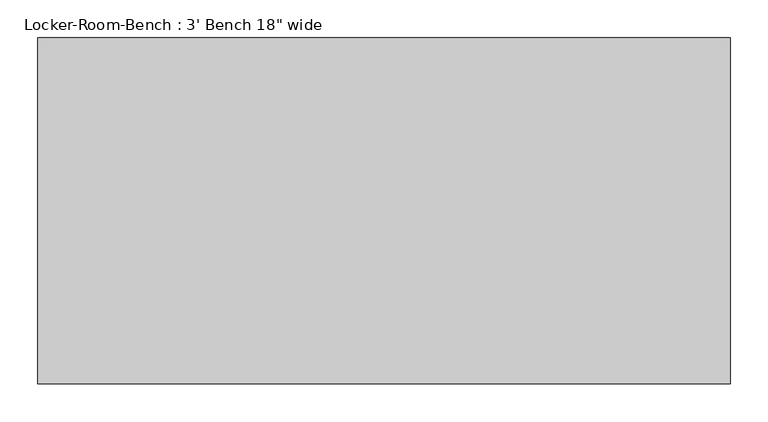
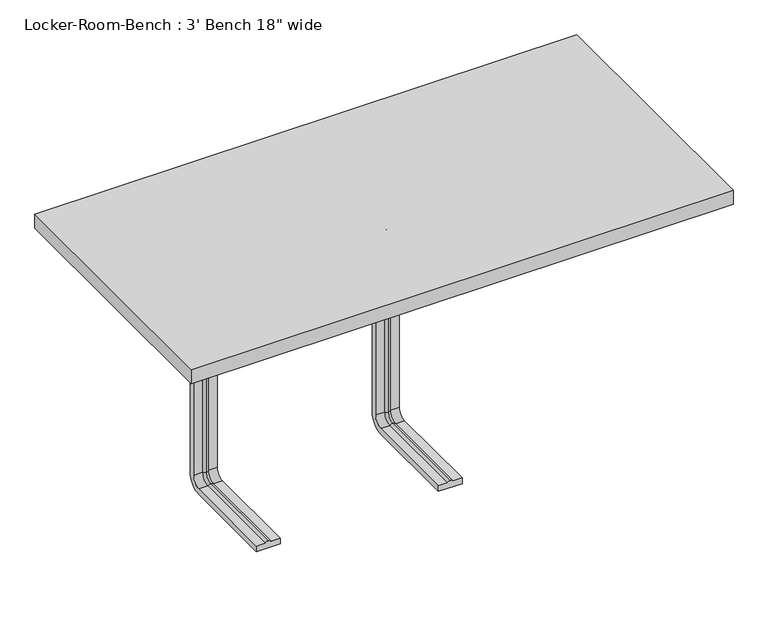
"""IFC4 building model written with IfcOpenShell, lengths in millimetres: proxy geometry."""

from ifc_helpers import new_model, si_unit, point, frame, origin, place, context, project, spatial, polyline, circle_curve, ellipse_curve, trimmed, outline, extrude, source, transform, mapped, element, save
from ifc_brep_helpers import plane_surface, cylinder_surface, revolved_surface, advanced_brep


def proxy_0b72aa86(model_context):
    return source(origin(), model_context, "Body", "SolidModel", [
        advanced_brep(
        [(-287.2, -193.6, 381.4), (-327.2, -193.6, 381.4), (-327.2, -193.6, 371.4), (-312.2, -193.6, 371.4), (-307.2, -193.6, 369.0684617), (-302.2, -193.6, 371.4), (-287.2, -193.6, 371.4), (-287.2, -25.0, 381.4), (-327.2, -25.0, 381.4), (-327.2, 0.0, 356.4), (-327.2, 0.0, 40.0), (-327.2, -25.0, 15.0), (-327.2, -193.6, 15.0), (-327.2, -193.6, 25.0), (-327.2, -25.0, 25.0), (-327.2, -10.0, 40.0), (-327.2, -10.0, 356.4), (-327.2, -25.0, 371.4), (-312.2, -25.0, 371.4), (-307.2, -25.0, 369.0684617), (-302.2, -25.0, 371.4), (-287.2, -25.0, 371.4), (-287.2, -10.0, 356.4), (-287.2, -10.0, 40.0), (-287.2, -25.0, 25.0), (-287.2, -193.6, 25.0), (-287.2, -193.6, 15.0), (-287.2, -25.0, 15.0), (-287.2, 0.0, 40.0), (-287.2, 0.0, 356.4), (-312.2, -10.0, 356.4), (-307.2, -12.3315383, 356.4), (-302.2, -10.0, 356.4), (-312.2, -10.0, 40.0), (-307.2, -12.3315383, 40.0), (-302.2, -10.0, 40.0), (-312.2, -25.0, 25.0), (-307.2, -25.0, 27.3315383), (-302.2, -25.0, 25.0), (-302.2, -193.6, 25.0), (-307.2, -193.6, 27.3315383), (-312.2, -193.6, 25.0)],
        [
            (0, 1),
            (1, 2),
            (2, 3),
            (3, 4, circle_curve(frame((-307.4996409, -193.6, 374.9529162), z_axis=(0.0, -1.0, 0.0), x_axis=(0.0, 0.0, 1.0)), 5.8920785)),
            (4, 5, circle_curve(frame((-306.9003591, -193.6, 374.9529162), z_axis=(0.0, -1.0, 0.0), x_axis=(0.0, 0.0, 1.0)), 5.8920785)),
            (5, 6),
            (6, 0),
            (0, 7),
            (7, 8),
            (8, 1),
            (8, 9, circle_curve(frame((-327.2, -25.0, 356.4), z_axis=(-1.0, 0.0, 0.0), x_axis=(0.0, 0.0, 1.0)), 25.0)),
            (9, 10),
            (10, 11, circle_curve(frame((-327.2, -25.0, 40.0), z_axis=(-1.0, 0.0, 0.0), x_axis=(0.0, 1.0, 0.0)), 25.0)),
            (11, 12),
            (12, 13),
            (13, 14),
            (14, 15, circle_curve(frame((-327.2, -25.0, 40.0), z_axis=(1.0, 0.0, 0.0), x_axis=(0.0, 1.0, 0.0)), 15.0)),
            (15, 16),
            (16, 17, circle_curve(frame((-327.2, -25.0, 356.4), z_axis=(1.0, 0.0, 0.0), x_axis=(0.0, 0.0, 1.0)), 15.0)),
            (17, 2),
            (17, 18),
            (18, 3),
            (18, 19, circle_curve(frame((-307.4996409, -25.0, 374.9529162), z_axis=(0.0, -1.0, 0.0), x_axis=(0.0, 0.0, 1.0)), 5.8920785)),
            (19, 4),
            (19, 20, circle_curve(frame((-306.9003591, -25.0, 374.9529162), z_axis=(0.0, -1.0, 0.0), x_axis=(0.0, 0.0, 1.0)), 5.8920785)),
            (20, 5),
            (20, 21),
            (21, 6),
            (21, 22, circle_curve(frame((-287.2, -25.0, 356.4), z_axis=(-1.0, 0.0, 0.0), x_axis=(0.0, 0.0, 1.0)), 15.0)),
            (22, 23),
            (23, 24, circle_curve(frame((-287.2, -25.0, 40.0), z_axis=(-1.0, 0.0, 0.0), x_axis=(0.0, 1.0, 0.0)), 15.0)),
            (24, 25),
            (25, 26),
            (26, 27),
            (27, 28, circle_curve(frame((-287.2, -25.0, 40.0), z_axis=(1.0, 0.0, 0.0), x_axis=(0.0, 1.0, 0.0)), 25.0)),
            (28, 29),
            (29, 7, circle_curve(frame((-287.2, -25.0, 356.4), z_axis=(1.0, 0.0, 0.0), x_axis=(0.0, 0.0, 1.0)), 25.0)),
            (29, 9),
            (30, 18, circle_curve(frame((-312.2, -25.0, 356.4), z_axis=(1.0, 0.0, 0.0), x_axis=(0.0, 0.0, 1.0)), 15.0)),
            (16, 30),
            (31, 19, circle_curve(frame((-307.2, -25.0, 356.4), z_axis=(1.0, 0.0, 0.0), x_axis=(0.0, 0.0, 1.0)), 12.6684617)),
            (30, 31, circle_curve(frame((-307.4996409, -6.4470838, 356.4), z_axis=(0.0, 0.0, 1.0), x_axis=(0.0, 1.0, 0.0)), 5.8920785)),
            (32, 20, circle_curve(frame((-302.2, -25.0, 356.4), z_axis=(1.0, 0.0, 0.0), x_axis=(0.0, 0.0, 1.0)), 15.0)),
            (31, 32, circle_curve(frame((-306.9003591, -6.4470838, 356.4), z_axis=(0.0, 0.0, 1.0), x_axis=(0.0, 1.0, 0.0)), 5.8920785)),
            (32, 22),
            (28, 10),
            (15, 33),
            (33, 30),
            (33, 34, circle_curve(frame((-307.4996409, -6.4470838, 40.0), z_axis=(0.0, 0.0, 1.0), x_axis=(0.0, 1.0, 0.0)), 5.8920785)),
            (34, 31),
            (34, 35, circle_curve(frame((-306.9003591, -6.4470838, 40.0), z_axis=(0.0, 0.0, 1.0), x_axis=(0.0, 1.0, 0.0)), 5.8920785)),
            (35, 32),
            (35, 23),
            (27, 11),
            (36, 33, circle_curve(frame((-312.2, -25.0, 40.0), z_axis=(1.0, 0.0, 0.0), x_axis=(0.0, 1.0, 0.0)), 15.0)),
            (14, 36),
            (37, 34, circle_curve(frame((-307.2, -25.0, 40.0), z_axis=(1.0, 0.0, 0.0), x_axis=(0.0, 1.0, 0.0)), 12.6684617)),
            (36, 37, circle_curve(frame((-307.4996409, -25.0, 21.4470838), z_axis=(0.0, 1.0, 0.0), x_axis=(0.0, 0.0, -1.0)), 5.8920785)),
            (38, 35, circle_curve(frame((-302.2, -25.0, 40.0), z_axis=(1.0, 0.0, 0.0), x_axis=(0.0, 1.0, 0.0)), 15.0)),
            (37, 38, circle_curve(frame((-306.9003591, -25.0, 21.4470838), z_axis=(0.0, 1.0, 0.0), x_axis=(0.0, 0.0, -1.0)), 5.8920785)),
            (38, 24),
            (25, 39),
            (39, 40, circle_curve(frame((-306.9003591, -193.6, 21.4470838), z_axis=(0.0, -1.0, 0.0), x_axis=(0.0, 0.0, -1.0)), 5.8920785)),
            (40, 41, circle_curve(frame((-307.4996409, -193.6, 21.4470838), z_axis=(0.0, -1.0, 0.0), x_axis=(0.0, 0.0, -1.0)), 5.8920785)),
            (41, 13),
            (12, 26),
            (41, 36),
            (40, 37),
            (39, 38),
        ],
        [
            plane_surface(frame((-307.2, -193.6, 381.4), z_axis=(0.0, -1.0, 0.0), x_axis=(1.0, 0.0, 0.0))),
            plane_surface(frame((-287.2, -193.6, 381.4), z_axis=(0.0, 0.0, 1.0), x_axis=(0.0, 1.0, 0.0))),
            plane_surface(frame((-327.2, -193.6, 381.4), z_axis=(-1.0, 0.0, 0.0), x_axis=(0.0, 1.0, 0.0))),
            plane_surface(frame((-327.2, -193.6, 371.4), z_axis=(0.0, 0.0, -1.0), x_axis=(0.0, 1.0, 0.0))),
            cylinder_surface(frame((-307.4996409, -193.6, 374.9529162), z_axis=(0.0, -1.0, 0.0), x_axis=(0.0, 0.0, 1.0)), 5.8920785),
            cylinder_surface(frame((-306.9003591, -193.6, 374.9529162), z_axis=(0.0, -1.0, 0.0), x_axis=(0.0, 0.0, 1.0)), 5.8920785),
            plane_surface(frame((-302.2, -193.6, 371.4), z_axis=(0.0, 0.0, -1.0), x_axis=(0.0, 1.0, 0.0))),
            plane_surface(frame((-287.2, -193.6, 371.4), z_axis=(1.0, 0.0, 0.0), x_axis=(0.0, 1.0, 0.0))),
            cylinder_surface(frame((-307.2, -25.0, 356.4), z_axis=(-1.0, 0.0, 0.0), x_axis=(0.0, 0.0, 1.0)), 25.0),
            revolved_surface(polyline([(-327.2, -25.0, 371.4), (-312.2, -25.0, 371.4)]), (-307.2, -25.0, 356.4), (-1.0, 0.0, 0.0)),
            revolved_surface(trimmed(ellipse_curve(frame((-307.4996409, -25.0, 374.9529162), z_axis=(0.0, -1.0, 0.0), x_axis=(0.0, 0.0, 1.0)), 5.8920785, 5.8920785), [point((-312.2, -25.0, 371.4))], [point((-307.2, -25.0, 369.0684617))], True, "CARTESIAN"), (-307.2, -25.0, 356.4), (-1.0, 0.0, 0.0)),
            revolved_surface(trimmed(ellipse_curve(frame((-306.9003591, -25.0, 374.9529162), z_axis=(0.0, -1.0, 0.0), x_axis=(0.0, 0.0, 1.0)), 5.8920785, 5.8920785), [point((-307.2, -25.0, 369.0684617))], [point((-302.2, -25.0, 371.4))], True, "CARTESIAN"), (-307.2, -25.0, 356.4), (-1.0, 0.0, 0.0)),
            revolved_surface(polyline([(-302.2, -25.0, 371.4), (-287.2, -25.0, 371.4)]), (-307.2, -25.0, 356.4), (-1.0, 0.0, 0.0)),
            plane_surface(frame((-287.2, 0.0, 356.4), z_axis=(0.0, 1.0, 0.0), x_axis=(0.0, 0.0, -1.0))),
            plane_surface(frame((-327.2, -10.0, 356.4), z_axis=(0.0, -1.0, 0.0), x_axis=(0.0, 0.0, -1.0))),
            cylinder_surface(frame((-307.4996409, -6.4470838, 356.4), z_axis=(0.0, 0.0, 1.0), x_axis=(0.0, 1.0, 0.0)), 5.8920785),
            cylinder_surface(frame((-306.9003591, -6.4470838, 356.4), z_axis=(0.0, 0.0, 1.0), x_axis=(0.0, 1.0, 0.0)), 5.8920785),
            plane_surface(frame((-302.2, -10.0, 356.4), z_axis=(0.0, -1.0, 0.0), x_axis=(0.0, 0.0, -1.0))),
            cylinder_surface(frame((-307.2, -25.0, 40.0), z_axis=(-1.0, 0.0, 0.0), x_axis=(0.0, 1.0, 0.0)), 25.0),
            revolved_surface(polyline([(-327.2, -10.0, 40.0), (-312.2, -10.0, 40.0)]), (-307.2, -25.0, 40.0), (-1.0, 0.0, 0.0)),
            revolved_surface(trimmed(ellipse_curve(frame((-307.4996409, -6.4470838, 40.0), z_axis=(0.0, 0.0, 1.0), x_axis=(0.0, 1.0, 0.0)), 5.8920785, 5.8920785), [point((-312.2, -10.0, 40.0))], [point((-307.2, -12.3315383, 40.0))], True, "CARTESIAN"), (-307.2, -25.0, 40.0), (-1.0, 0.0, 0.0)),
            revolved_surface(trimmed(ellipse_curve(frame((-306.9003591, -6.4470838, 40.0), z_axis=(0.0, 0.0, 1.0), x_axis=(0.0, 1.0, 0.0)), 5.8920785, 5.8920785), [point((-307.2, -12.3315383, 40.0))], [point((-302.2, -10.0, 40.0))], True, "CARTESIAN"), (-307.2, -25.0, 40.0), (-1.0, 0.0, 0.0)),
            revolved_surface(polyline([(-302.2, -10.0, 40.0), (-287.2, -10.0, 40.0)]), (-307.2, -25.0, 40.0), (-1.0, 0.0, 0.0)),
            plane_surface(frame((-307.2, -193.6, 15.0), z_axis=(0.0, -1.0, 0.0), x_axis=(1.0, 0.0, 0.0))),
            plane_surface(frame((-287.2, -25.0, 15.0), z_axis=(0.0, 0.0, -1.0), x_axis=(0.0, -1.0, 0.0))),
            plane_surface(frame((-327.2, -25.0, 25.0), z_axis=(0.0, 0.0, 1.0), x_axis=(0.0, -1.0, 0.0))),
            cylinder_surface(frame((-307.4996409, -25.0, 21.4470838), z_axis=(0.0, 1.0, 0.0), x_axis=(0.0, 0.0, -1.0)), 5.8920785),
            cylinder_surface(frame((-306.9003591, -25.0, 21.4470838), z_axis=(0.0, 1.0, 0.0), x_axis=(0.0, 0.0, -1.0)), 5.8920785),
            plane_surface(frame((-302.2, -25.0, 25.0), z_axis=(0.0, 0.0, 1.0), x_axis=(0.0, -1.0, 0.0))),
        ],
        [
            (0, [[1, 2, 3, 4, 5, 6, 7]]),
            (1, [[-1, 8, 9, 10]]),
            (2, [[-2, -10, 11, 12, 13, 14, 15, 16, 17, 18, 19, 20]]),
            (3, [[-3, -20, 21, 22]]),
            (4, [[-4, -22, 23, 24]]),
            (5, [[-5, -24, 25, 26]]),
            (6, [[-6, -26, 27, 28]]),
            (7, [[-7, -28, 29, 30, 31, 32, 33, 34, 35, 36, 37, -8]]),
            (8, [[-11, -9, -37, 38]]),
            (9, [[39, -21, -19, 40]]),
            (10, [[41, -23, -39, 42]]),
            (11, [[43, -25, -41, 44]]),
            (12, [[-29, -27, -43, 45]]),
            (13, [[-38, -36, 46, -12]]),
            (14, [[-40, -18, 47, 48]]),
            (15, [[-42, -48, 49, 50]]),
            (16, [[-44, -50, 51, 52]]),
            (17, [[-45, -52, 53, -30]]),
            (18, [[-13, -46, -35, 54]]),
            (19, [[55, -47, -17, 56]]),
            (20, [[57, -49, -55, 58]]),
            (21, [[59, -51, -57, 60]]),
            (22, [[-31, -53, -59, 61]]),
            (23, [[-33, 62, 63, 64, 65, -15, 66]]),
            (24, [[-54, -34, -66, -14]]),
            (25, [[-56, -16, -65, 67]]),
            (26, [[-58, -67, -64, 68]]),
            (27, [[-60, -68, -63, 69]]),
            (28, [[-61, -69, -62, -32]]),
        ],
    ),
        advanced_brep(
        [(20.0, -193.6, 381.4), (-20.0, -193.6, 381.4), (-20.0, -193.6, 371.4), (-5.0, -193.6, 371.4), (0.0, -193.6, 369.0684617), (5.0, -193.6, 371.4), (20.0, -193.6, 371.4), (20.0, -25.0, 381.4), (-20.0, -25.0, 381.4), (-20.0, 0.0, 356.4), (-20.0, 0.0, 40.0), (-20.0, -25.0, 15.0), (-20.0, -193.6, 15.0), (-20.0, -193.6, 25.0), (-20.0, -25.0, 25.0), (-20.0, -10.0, 40.0), (-20.0, -10.0, 356.4), (-20.0, -25.0, 371.4), (-5.0, -25.0, 371.4), (0.0, -25.0, 369.0684617), (5.0, -25.0, 371.4), (20.0, -25.0, 371.4), (20.0, -10.0, 356.4), (20.0, -10.0, 40.0), (20.0, -25.0, 25.0), (20.0, -193.6, 25.0), (20.0, -193.6, 15.0), (20.0, -25.0, 15.0), (20.0, 0.0, 40.0), (20.0, 0.0, 356.4), (-5.0, -10.0, 356.4), (0.0, -12.3315383, 356.4), (5.0, -10.0, 356.4), (-5.0, -10.0, 40.0), (0.0, -12.3315383, 40.0), (5.0, -10.0, 40.0), (-5.0, -25.0, 25.0), (0.0, -25.0, 27.3315383), (5.0, -25.0, 25.0), (5.0, -193.6, 25.0), (0.0, -193.6, 27.3315383), (-5.0, -193.6, 25.0)],
        [
            (0, 1),
            (1, 2),
            (2, 3),
            (3, 4, circle_curve(frame((-0.2996409, -193.6, 374.9529162), z_axis=(0.0, -1.0, 0.0), x_axis=(0.0, 0.0, 1.0)), 5.8920785)),
            (4, 5, circle_curve(frame((0.2996409, -193.6, 374.9529162), z_axis=(0.0, -1.0, 0.0), x_axis=(0.0, 0.0, 1.0)), 5.8920785)),
            (5, 6),
            (6, 0),
            (0, 7),
            (7, 8),
            (8, 1),
            (8, 9, circle_curve(frame((-20.0, -25.0, 356.4), z_axis=(-1.0, 0.0, 0.0), x_axis=(0.0, 0.0, 1.0)), 25.0)),
            (9, 10),
            (10, 11, circle_curve(frame((-20.0, -25.0, 40.0), z_axis=(-1.0, 0.0, 0.0), x_axis=(0.0, 1.0, 0.0)), 25.0)),
            (11, 12),
            (12, 13),
            (13, 14),
            (14, 15, circle_curve(frame((-20.0, -25.0, 40.0), z_axis=(1.0, 0.0, 0.0), x_axis=(0.0, 1.0, 0.0)), 15.0)),
            (15, 16),
            (16, 17, circle_curve(frame((-20.0, -25.0, 356.4), z_axis=(1.0, 0.0, 0.0), x_axis=(0.0, 0.0, 1.0)), 15.0)),
            (17, 2),
            (17, 18),
            (18, 3),
            (18, 19, circle_curve(frame((-0.2996409, -25.0, 374.9529162), z_axis=(0.0, -1.0, 0.0), x_axis=(0.0, 0.0, 1.0)), 5.8920785)),
            (19, 4),
            (19, 20, circle_curve(frame((0.2996409, -25.0, 374.9529162), z_axis=(0.0, -1.0, 0.0), x_axis=(0.0, 0.0, 1.0)), 5.8920785)),
            (20, 5),
            (20, 21),
            (21, 6),
            (21, 22, circle_curve(frame((20.0, -25.0, 356.4), z_axis=(-1.0, 0.0, 0.0), x_axis=(0.0, 0.0, 1.0)), 15.0)),
            (22, 23),
            (23, 24, circle_curve(frame((20.0, -25.0, 40.0), z_axis=(-1.0, 0.0, 0.0), x_axis=(0.0, 1.0, 0.0)), 15.0)),
            (24, 25),
            (25, 26),
            (26, 27),
            (27, 28, circle_curve(frame((20.0, -25.0, 40.0), z_axis=(1.0, 0.0, 0.0), x_axis=(0.0, 1.0, 0.0)), 25.0)),
            (28, 29),
            (29, 7, circle_curve(frame((20.0, -25.0, 356.4), z_axis=(1.0, 0.0, 0.0), x_axis=(0.0, 0.0, 1.0)), 25.0)),
            (29, 9),
            (30, 18, circle_curve(frame((-5.0, -25.0, 356.4), z_axis=(1.0, 0.0, 0.0), x_axis=(0.0, 0.0, 1.0)), 15.0)),
            (16, 30),
            (31, 19, circle_curve(frame((0.0, -25.0, 356.4), z_axis=(1.0, 0.0, 0.0), x_axis=(0.0, 0.0, 1.0)), 12.6684617)),
            (30, 31, circle_curve(frame((-0.2996409, -6.4470838, 356.4), z_axis=(0.0, 0.0, 1.0), x_axis=(0.0, 1.0, 0.0)), 5.8920785)),
            (32, 20, circle_curve(frame((5.0, -25.0, 356.4), z_axis=(1.0, 0.0, 0.0), x_axis=(0.0, 0.0, 1.0)), 15.0)),
            (31, 32, circle_curve(frame((0.2996409, -6.4470838, 356.4), z_axis=(0.0, 0.0, 1.0), x_axis=(0.0, 1.0, 0.0)), 5.8920785)),
            (32, 22),
            (28, 10),
            (15, 33),
            (33, 30),
            (33, 34, circle_curve(frame((-0.2996409, -6.4470838, 40.0), z_axis=(0.0, 0.0, 1.0), x_axis=(0.0, 1.0, 0.0)), 5.8920785)),
            (34, 31),
            (34, 35, circle_curve(frame((0.2996409, -6.4470838, 40.0), z_axis=(0.0, 0.0, 1.0), x_axis=(0.0, 1.0, 0.0)), 5.8920785)),
            (35, 32),
            (35, 23),
            (27, 11),
            (36, 33, circle_curve(frame((-5.0, -25.0, 40.0), z_axis=(1.0, 0.0, 0.0), x_axis=(0.0, 1.0, 0.0)), 15.0)),
            (14, 36),
            (37, 34, circle_curve(frame((0.0, -25.0, 40.0), z_axis=(1.0, 0.0, 0.0), x_axis=(0.0, 1.0, 0.0)), 12.6684617)),
            (36, 37, circle_curve(frame((-0.2996409, -25.0, 21.4470838), z_axis=(0.0, 1.0, 0.0), x_axis=(0.0, 0.0, -1.0)), 5.8920785)),
            (38, 35, circle_curve(frame((5.0, -25.0, 40.0), z_axis=(1.0, 0.0, 0.0), x_axis=(0.0, 1.0, 0.0)), 15.0)),
            (37, 38, circle_curve(frame((0.2996409, -25.0, 21.4470838), z_axis=(0.0, 1.0, 0.0), x_axis=(0.0, 0.0, -1.0)), 5.8920785)),
            (38, 24),
            (25, 39),
            (39, 40, circle_curve(frame((0.2996409, -193.6, 21.4470838), z_axis=(0.0, -1.0, 0.0), x_axis=(0.0, 0.0, -1.0)), 5.8920785)),
            (40, 41, circle_curve(frame((-0.2996409, -193.6, 21.4470838), z_axis=(0.0, -1.0, 0.0), x_axis=(0.0, 0.0, -1.0)), 5.8920785)),
            (41, 13),
            (12, 26),
            (41, 36),
            (40, 37),
            (39, 38),
        ],
        [
            plane_surface(frame((0.0, -193.6, 381.4), z_axis=(0.0, -1.0, 0.0), x_axis=(1.0, 0.0, 0.0))),
            plane_surface(frame((20.0, -193.6, 381.4), z_axis=(0.0, 0.0, 1.0), x_axis=(0.0, 1.0, 0.0))),
            plane_surface(frame((-20.0, -193.6, 381.4), z_axis=(-1.0, 0.0, 0.0), x_axis=(0.0, 1.0, 0.0))),
            plane_surface(frame((-20.0, -193.6, 371.4), z_axis=(0.0, 0.0, -1.0), x_axis=(0.0, 1.0, 0.0))),
            cylinder_surface(frame((-0.2996409, -193.6, 374.9529162), z_axis=(0.0, -1.0, 0.0), x_axis=(0.0, 0.0, 1.0)), 5.8920785),
            cylinder_surface(frame((0.2996409, -193.6, 374.9529162), z_axis=(0.0, -1.0, 0.0), x_axis=(0.0, 0.0, 1.0)), 5.8920785),
            plane_surface(frame((5.0, -193.6, 371.4), z_axis=(0.0, 0.0, -1.0), x_axis=(0.0, 1.0, 0.0))),
            plane_surface(frame((20.0, -193.6, 371.4), z_axis=(1.0, 0.0, 0.0), x_axis=(0.0, 1.0, 0.0))),
            cylinder_surface(frame((0.0, -25.0, 356.4), z_axis=(-1.0, 0.0, 0.0), x_axis=(0.0, 0.0, 1.0)), 25.0),
            revolved_surface(polyline([(-20.0, -25.0, 371.4), (-5.0, -25.0, 371.4)]), (0.0, -25.0, 356.4), (-1.0, 0.0, 0.0)),
            revolved_surface(trimmed(ellipse_curve(frame((-0.2996409, -25.0, 374.9529162), z_axis=(0.0, -1.0, 0.0), x_axis=(0.0, 0.0, 1.0)), 5.8920785, 5.8920785), [point((-5.0, -25.0, 371.4))], [point((0.0, -25.0, 369.0684617))], True, "CARTESIAN"), (0.0, -25.0, 356.4), (-1.0, 0.0, 0.0)),
            revolved_surface(trimmed(ellipse_curve(frame((0.2996409, -25.0, 374.9529162), z_axis=(0.0, -1.0, 0.0), x_axis=(0.0, 0.0, 1.0)), 5.8920785, 5.8920785), [point((0.0, -25.0, 369.0684617))], [point((5.0, -25.0, 371.4))], True, "CARTESIAN"), (0.0, -25.0, 356.4), (-1.0, 0.0, 0.0)),
            revolved_surface(polyline([(5.0, -25.0, 371.4), (20.0, -25.0, 371.4)]), (0.0, -25.0, 356.4), (-1.0, 0.0, 0.0)),
            plane_surface(frame((20.0, 0.0, 356.4), z_axis=(0.0, 1.0, 0.0), x_axis=(0.0, 0.0, -1.0))),
            plane_surface(frame((-20.0, -10.0, 356.4), z_axis=(0.0, -1.0, 0.0), x_axis=(0.0, 0.0, -1.0))),
            cylinder_surface(frame((-0.2996409, -6.4470838, 356.4), z_axis=(0.0, 0.0, 1.0), x_axis=(0.0, 1.0, 0.0)), 5.8920785),
            cylinder_surface(frame((0.2996409, -6.4470838, 356.4), z_axis=(0.0, 0.0, 1.0), x_axis=(0.0, 1.0, 0.0)), 5.8920785),
            plane_surface(frame((5.0, -10.0, 356.4), z_axis=(0.0, -1.0, 0.0), x_axis=(0.0, 0.0, -1.0))),
            cylinder_surface(frame((0.0, -25.0, 40.0), z_axis=(-1.0, 0.0, 0.0), x_axis=(0.0, 1.0, 0.0)), 25.0),
            revolved_surface(polyline([(-20.0, -10.0, 40.0), (-5.0, -10.0, 40.0)]), (0.0, -25.0, 40.0), (-1.0, 0.0, 0.0)),
            revolved_surface(trimmed(ellipse_curve(frame((-0.2996409, -6.4470838, 40.0), z_axis=(0.0, 0.0, 1.0), x_axis=(0.0, 1.0, 0.0)), 5.8920785, 5.8920785), [point((-5.0, -10.0, 40.0))], [point((0.0, -12.3315383, 40.0))], True, "CARTESIAN"), (0.0, -25.0, 40.0), (-1.0, 0.0, 0.0)),
            revolved_surface(trimmed(ellipse_curve(frame((0.2996409, -6.4470838, 40.0), z_axis=(0.0, 0.0, 1.0), x_axis=(0.0, 1.0, 0.0)), 5.8920785, 5.8920785), [point((0.0, -12.3315383, 40.0))], [point((5.0, -10.0, 40.0))], True, "CARTESIAN"), (0.0, -25.0, 40.0), (-1.0, 0.0, 0.0)),
            revolved_surface(polyline([(5.0, -10.0, 40.0), (20.0, -10.0, 40.0)]), (0.0, -25.0, 40.0), (-1.0, 0.0, 0.0)),
            plane_surface(frame((0.0, -193.6, 15.0), z_axis=(0.0, -1.0, 0.0), x_axis=(1.0, 0.0, 0.0))),
            plane_surface(frame((20.0, -25.0, 15.0), z_axis=(0.0, 0.0, -1.0), x_axis=(0.0, -1.0, 0.0))),
            plane_surface(frame((-20.0, -25.0, 25.0), z_axis=(0.0, 0.0, 1.0), x_axis=(0.0, -1.0, 0.0))),
            cylinder_surface(frame((-0.2996409, -25.0, 21.4470838), z_axis=(0.0, 1.0, 0.0), x_axis=(0.0, 0.0, -1.0)), 5.8920785),
            cylinder_surface(frame((0.2996409, -25.0, 21.4470838), z_axis=(0.0, 1.0, 0.0), x_axis=(0.0, 0.0, -1.0)), 5.8920785),
            plane_surface(frame((5.0, -25.0, 25.0), z_axis=(0.0, 0.0, 1.0), x_axis=(0.0, -1.0, 0.0))),
        ],
        [
            (0, [[1, 2, 3, 4, 5, 6, 7]]),
            (1, [[-1, 8, 9, 10]]),
            (2, [[-2, -10, 11, 12, 13, 14, 15, 16, 17, 18, 19, 20]]),
            (3, [[-3, -20, 21, 22]]),
            (4, [[-4, -22, 23, 24]]),
            (5, [[-5, -24, 25, 26]]),
            (6, [[-6, -26, 27, 28]]),
            (7, [[-7, -28, 29, 30, 31, 32, 33, 34, 35, 36, 37, -8]]),
            (8, [[-11, -9, -37, 38]]),
            (9, [[39, -21, -19, 40]]),
            (10, [[41, -23, -39, 42]]),
            (11, [[43, -25, -41, 44]]),
            (12, [[-29, -27, -43, 45]]),
            (13, [[-38, -36, 46, -12]]),
            (14, [[-40, -18, 47, 48]]),
            (15, [[-42, -48, 49, 50]]),
            (16, [[-44, -50, 51, 52]]),
            (17, [[-45, -52, 53, -30]]),
            (18, [[-13, -46, -35, 54]]),
            (19, [[55, -47, -17, 56]]),
            (20, [[57, -49, -55, 58]]),
            (21, [[59, -51, -57, 60]]),
            (22, [[-31, -53, -59, 61]]),
            (23, [[-33, 62, 63, 64, 65, -15, 66]]),
            (24, [[-54, -34, -66, -14]]),
            (25, [[-56, -16, -65, 67]]),
            (26, [[-58, -67, -64, 68]]),
            (27, [[-60, -68, -63, 69]]),
            (28, [[-61, -69, -62, -32]]),
        ],
    ),
        extrude(outline(polyline([(457.2, 228.6), (457.2, -228.6), (-457.2, -228.6), (-457.2, 228.6), (457.2, 228.6)])), frame((0.0, 0.0, 381.4), z_axis=(0.0, 0.0, 1.0), x_axis=(1.0, 0.0, 0.0)), (0.0, 0.0, 1.0), 25.0),
    ])


if __name__ == "__main__":
    model = new_model("IFC4")
    model_context = context("Model", 3, world=origin())
    ifc_project = project(units=[si_unit("LENGTHUNIT", "METRE", prefix="MILLI")], contexts=[model_context])
    site = spatial("IfcSite", under=ifc_project)
    building = spatial("IfcBuilding", under=site)
    placement = place(None, origin())
    proxy_shape = proxy_0b72aa86(model_context)
    element("IfcBuildingElementProxy", 1, Name="Locker-Room-Bench : 3' Bench 18\" wide", ObjectType="Locker-Room-Bench : 3' Bench 18\" wide", at=placement, inside=building, context=model_context, shape_type="MappedRepresentation", body=[
        mapped(proxy_shape, transform((0.0, 0.0, 0.0), x_axis=(1.0, 0.0, 0.0), y_axis=(0.0, 1.0, 0.0), z_axis=(0.0, 0.0, 1.0))),
    ])
    save(model, "model.ifc")
